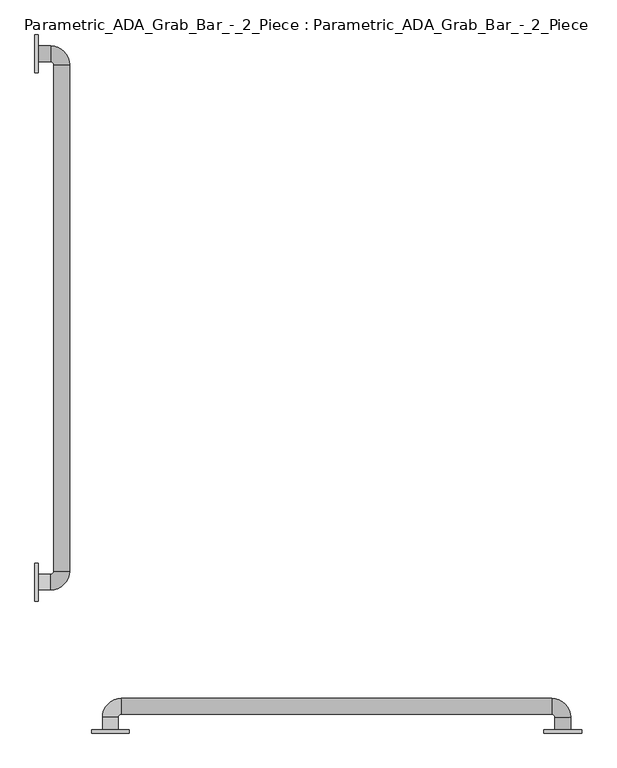
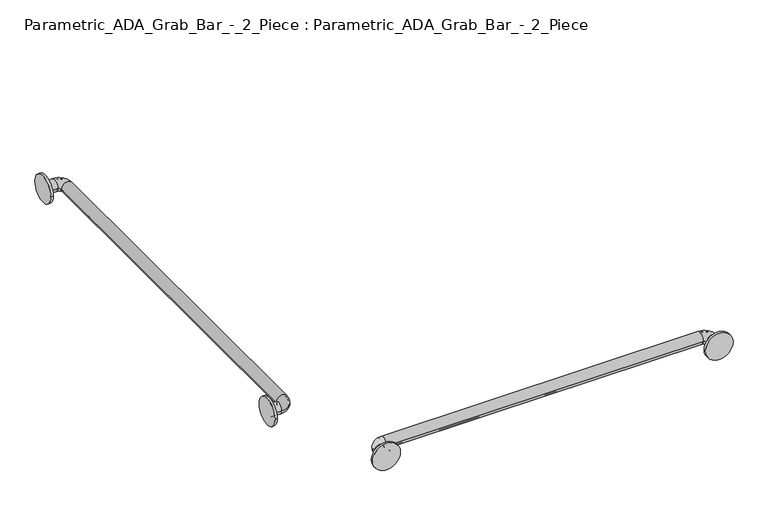
"""IFC4 building model written with IfcOpenShell, lengths in millimetres: proxy geometry, Parametric_ADA_Grab_Bar_-_2_Piece : Parametric_ADA_Grab_Bar_-_2_Piece."""

from ifc_helpers import new_model, si_unit, point, frame, frame_2d, origin, place, context, project, spatial, polyline, circle_curve, ellipse_curve, trimmed, segment, composite_curve, outline, extrude, source, transform, mapped, element, save
from ifc_brep_helpers import plane_surface, cylinder_surface, revolved_surface, advanced_brep


def parametric_ada_grab_bar_2_piece_parametric_ada_grab_bar_2_9242682c(model_context):
    return source(origin(), model_context, "Body", "SolidModel", [
        advanced_brep(
        [(6.35, 1447.8, 838.2), (6.35, 1479.55, 838.2), (6.35, 1450.975, 838.2), (6.35, 1476.375, 838.2), (31.75, 1447.8, 838.2), (31.75, 1479.55, 838.2), (31.75, 1450.975, 838.2), (31.75, 1476.375, 838.2), (69.85, 1441.45, 838.2), (38.1, 1441.45, 838.2), (66.675, 1441.45, 838.2), (41.275, 1441.45, 838.2), (38.1, 419.1, 838.2), (69.85, 419.1, 838.2), (41.275, 419.1, 838.2), (66.675, 419.1, 838.2), (31.75, 381.0, 838.2), (31.75, 412.75, 838.2), (31.75, 384.175, 838.2), (31.75, 409.575, 838.2), (6.35, 412.75, 838.2), (6.35, 381.0, 838.2), (6.35, 409.575, 838.2), (6.35, 384.175, 838.2)],
        [
            (0, 1, circle_curve(frame((6.35, 1463.675, 838.2), z_axis=(-1.0, 0.0, 0.0), x_axis=(0.0, 1.0, 0.0)), 15.875)),
            (1, 0, circle_curve(frame((6.35, 1463.675, 838.2), z_axis=(-1.0, 0.0, 0.0), x_axis=(0.0, 1.0, 0.0)), 15.875)),
            (2, 3, circle_curve(frame((6.35, 1463.675, 838.2), z_axis=(1.0, 0.0, 0.0), x_axis=(0.0, 1.0, 0.0)), 12.7)),
            (3, 2, circle_curve(frame((6.35, 1463.675, 838.2), z_axis=(1.0, 0.0, 0.0), x_axis=(0.0, 1.0, 0.0)), 12.7)),
            (0, 4),
            (4, 5, circle_curve(frame((31.75, 1463.675, 838.2), z_axis=(-1.0, 0.0, 0.0), x_axis=(0.0, 1.0, 0.0)), 15.875)),
            (5, 1),
            (5, 4, circle_curve(frame((31.75, 1463.675, 838.2), z_axis=(-1.0, 0.0, 0.0), x_axis=(0.0, 1.0, 0.0)), 15.875)),
            (2, 6),
            (6, 7, circle_curve(frame((31.75, 1463.675, 838.2), z_axis=(1.0, 0.0, 0.0), x_axis=(0.0, 1.0, 0.0)), 12.7)),
            (7, 3),
            (7, 6, circle_curve(frame((31.75, 1463.675, 838.2), z_axis=(1.0, 0.0, 0.0), x_axis=(0.0, 1.0, 0.0)), 12.7)),
            (8, 5, circle_curve(frame((31.75, 1441.45, 838.2), z_axis=(0.0, 0.0, 1.0), x_axis=(0.0, 1.0, 0.0)), 38.1)),
            (4, 9, circle_curve(frame((31.75, 1441.45, 838.2), z_axis=(0.0, 0.0, -1.0), x_axis=(0.0, 1.0, 0.0)), 6.35)),
            (9, 8, circle_curve(frame((53.975, 1441.45, 838.2), z_axis=(0.0, 1.0, 0.0), x_axis=(1.0, 0.0, 0.0)), 15.875)),
            (8, 9, circle_curve(frame((53.975, 1441.45, 838.2), z_axis=(0.0, 1.0, 0.0), x_axis=(1.0, 0.0, 0.0)), 15.875)),
            (10, 7, circle_curve(frame((31.75, 1441.45, 838.2), z_axis=(0.0, 0.0, 1.0), x_axis=(0.0, 1.0, 0.0)), 34.925)),
            (6, 11, circle_curve(frame((31.75, 1441.45, 838.2), z_axis=(0.0, 0.0, -1.0), x_axis=(0.0, 1.0, 0.0)), 9.525)),
            (11, 10, circle_curve(frame((53.975, 1441.45, 838.2), z_axis=(0.0, -1.0, 0.0), x_axis=(1.0, 0.0, 0.0)), 12.7)),
            (10, 11, circle_curve(frame((53.975, 1441.45, 838.2), z_axis=(0.0, -1.0, 0.0), x_axis=(1.0, 0.0, 0.0)), 12.7)),
            (9, 12),
            (12, 13, circle_curve(frame((53.975, 419.1, 838.2), z_axis=(0.0, 1.0, 0.0), x_axis=(1.0, 0.0, 0.0)), 15.875)),
            (13, 8),
            (13, 12, circle_curve(frame((53.975, 419.1, 838.2), z_axis=(0.0, 1.0, 0.0), x_axis=(1.0, 0.0, 0.0)), 15.875)),
            (11, 14),
            (14, 15, circle_curve(frame((53.975, 419.1, 838.2), z_axis=(0.0, -1.0, 0.0), x_axis=(1.0, 0.0, 0.0)), 12.7)),
            (15, 10),
            (15, 14, circle_curve(frame((53.975, 419.1, 838.2), z_axis=(0.0, -1.0, 0.0), x_axis=(1.0, 0.0, 0.0)), 12.7)),
            (16, 13, circle_curve(frame((31.75, 419.1, 838.2), z_axis=(0.0, 0.0, 1.0), x_axis=(1.0, 0.0, 0.0)), 38.1)),
            (12, 17, circle_curve(frame((31.75, 419.1, 838.2), z_axis=(0.0, 0.0, -1.0), x_axis=(1.0, 0.0, 0.0)), 6.35)),
            (17, 16, circle_curve(frame((31.75, 396.875, 838.2), z_axis=(1.0, -1.0750558599521398e-12, 0.0), x_axis=(-1.0750558599521398e-12, -1.0, 0.0)), 15.875)),
            (16, 17, circle_curve(frame((31.75, 396.875, 838.2), z_axis=(1.0, 0.0, 0.0), x_axis=(0.0, -1.0, 0.0)), 15.875)),
            (18, 15, circle_curve(frame((31.75, 419.1, 838.2), z_axis=(0.0, 0.0, 1.0), x_axis=(1.0, 0.0, 0.0)), 34.925)),
            (14, 19, circle_curve(frame((31.75, 419.1, 838.2), z_axis=(0.0, 0.0, -1.0), x_axis=(1.0, 0.0, 0.0)), 9.525)),
            (19, 18, circle_curve(frame((31.75, 396.875, 838.2), z_axis=(-1.0, 0.0, 0.0), x_axis=(0.0, -1.0, 0.0)), 12.7)),
            (18, 19, circle_curve(frame((31.75, 396.875, 838.2), z_axis=(-1.0, 0.0, 0.0), x_axis=(0.0, -1.0, 0.0)), 12.7)),
            (20, 21, circle_curve(frame((6.35, 396.875, 838.2), z_axis=(-1.0, 0.0, 0.0), x_axis=(0.0, -1.0, 0.0)), 15.875)),
            (21, 20, circle_curve(frame((6.35, 396.875, 838.2), z_axis=(-1.0, 0.0, 0.0), x_axis=(0.0, -1.0, 0.0)), 15.875)),
            (22, 23, circle_curve(frame((6.35, 396.875, 838.2), z_axis=(1.0, 0.0, 0.0), x_axis=(0.0, -1.0, 0.0)), 12.7)),
            (23, 22, circle_curve(frame((6.35, 396.875, 838.2), z_axis=(1.0, 0.0, 0.0), x_axis=(0.0, -1.0, 0.0)), 12.7)),
            (17, 20),
            (21, 16),
            (19, 22),
            (23, 18),
        ],
        [
            plane_surface(frame((6.35, 1463.675, 838.2), z_axis=(-1.0, 0.0, 0.0), x_axis=(0.0, 0.0, 1.0))),
            cylinder_surface(frame((6.35, 1463.675, 838.2), z_axis=(-1.0, 0.0, 0.0), x_axis=(0.0, 1.0, 0.0)), 15.875),
            revolved_surface(polyline([(31.75, 1476.375, 838.2), (6.35, 1476.375, 838.2)]), (6.35, 1463.675, 838.2), (1.0, 0.0, 0.0)),
            revolved_surface(trimmed(ellipse_curve(frame((31.75, 1463.675, 838.2), z_axis=(-1.0, 0.0, 0.0), x_axis=(0.0, 1.0, 0.0)), 15.875, 15.875), [point((31.75, 1447.8, 838.2))], [point((31.75, 1479.55, 838.2))], True, "CARTESIAN"), (31.75, 1441.45, 838.2), (0.0, 0.0, -1.0)),
            revolved_surface(trimmed(ellipse_curve(frame((31.75, 1463.675, 838.2), z_axis=(-1.0, 0.0, 0.0), x_axis=(0.0, 1.0, 0.0)), 15.875, 15.875), [point((31.75, 1479.55, 838.2))], [point((31.75, 1447.8, 838.2))], True, "CARTESIAN"), (31.75, 1441.45, 838.2), (0.0, 0.0, -1.0)),
            revolved_surface(trimmed(ellipse_curve(frame((31.75, 1463.675, 838.2), z_axis=(1.0, 0.0, 0.0), x_axis=(0.0, 1.0, 0.0)), 12.7, 12.7), [point((31.75, 1450.975, 838.2))], [point((31.75, 1476.375, 838.2))], True, "CARTESIAN"), (31.75, 1441.45, 838.2), (0.0, 0.0, -1.0)),
            revolved_surface(trimmed(ellipse_curve(frame((31.75, 1463.675, 838.2), z_axis=(1.0, 0.0, 0.0), x_axis=(0.0, 1.0, 0.0)), 12.7, 12.7), [point((31.75, 1476.375, 838.2))], [point((31.75, 1450.975, 838.2))], True, "CARTESIAN"), (31.75, 1441.45, 838.2), (0.0, 0.0, -1.0)),
            cylinder_surface(frame((53.975, 1441.45, 838.2), z_axis=(0.0, 1.0, 0.0), x_axis=(1.0, 0.0, 0.0)), 15.875),
            revolved_surface(polyline([(66.675, 419.1, 838.2), (66.675, 1441.45, 838.2)]), (53.975, 1441.45, 838.2), (0.0, -1.0, 0.0)),
            revolved_surface(trimmed(ellipse_curve(frame((53.975, 419.1, 838.2), z_axis=(0.0, 1.0, 0.0), x_axis=(1.0, 0.0, 0.0)), 15.875, 15.875), [point((38.1, 419.1, 838.2))], [point((69.85, 419.1, 838.2))], True, "CARTESIAN"), (31.75, 419.1, 838.2), (0.0, 0.0, -1.0)),
            revolved_surface(trimmed(ellipse_curve(frame((53.975, 419.1, 838.2), z_axis=(0.0, 1.0, 0.0), x_axis=(1.0, 0.0, 0.0)), 15.875, 15.875), [point((69.85, 419.1, 838.2))], [point((38.1, 419.1, 838.2))], True, "CARTESIAN"), (31.75, 419.1, 838.2), (0.0, 0.0, -1.0)),
            revolved_surface(trimmed(ellipse_curve(frame((53.975, 419.1, 838.2), z_axis=(0.0, -1.0, 0.0), x_axis=(1.0, 0.0, 0.0)), 12.7, 12.7), [point((41.275, 419.1, 838.2))], [point((66.675, 419.1, 838.2))], True, "CARTESIAN"), (31.75, 419.1, 838.2), (0.0, 0.0, -1.0)),
            revolved_surface(trimmed(ellipse_curve(frame((53.975, 419.1, 838.2), z_axis=(0.0, -1.0, 0.0), x_axis=(1.0, 0.0, 0.0)), 12.7, 12.7), [point((66.675, 419.1, 838.2))], [point((41.275, 419.1, 838.2))], True, "CARTESIAN"), (31.75, 419.1, 838.2), (0.0, 0.0, -1.0)),
            plane_surface(frame((6.35, 396.875, 838.2), z_axis=(-1.0, 0.0, 0.0), x_axis=(0.0, 0.0, 1.0))),
            cylinder_surface(frame((31.75, 396.875, 838.2), z_axis=(1.0, 0.0, 0.0), x_axis=(0.0, -1.0, 0.0)), 15.875),
            revolved_surface(polyline([(6.350000000000001, 384.175, 838.2), (31.75, 384.175, 838.2)]), (31.75, 396.875, 838.2), (-1.0, 0.0, 0.0)),
        ],
        [
            (0, [[1, 2], [3, 4]]),
            (1, [[-1, 5, 6, 7]]),
            (1, [[-2, -7, 8, -5]]),
            (2, [[-3, 9, 10, 11]]),
            (2, [[-4, -11, 12, -9]]),
            (3, [[13, -6, 14, 15]]),
            (4, [[-14, -8, -13, 16]]),
            (5, [[17, -10, 18, 19]]),
            (6, [[-18, -12, -17, 20]]),
            (7, [[-15, 21, 22, 23]]),
            (7, [[-16, -23, 24, -21]]),
            (8, [[-19, 25, 26, 27]]),
            (8, [[-20, -27, 28, -25]]),
            (9, [[29, -22, 30, 31]]),
            (10, [[-30, -24, -29, 32]]),
            (11, [[33, -26, 34, 35]]),
            (12, [[-34, -28, -33, 36]]),
            (13, [[37, 38], [39, 40]]),
            (14, [[-31, 41, -38, 42]]),
            (14, [[-32, -42, -37, -41]]),
            (15, [[-35, 43, -40, 44]]),
            (15, [[-36, -44, -39, -43]]),
        ],
    ),
        advanced_brep(
        [(168.275, 98.425, 838.2), (136.525, 98.425, 838.2), (165.1, 98.425, 838.2), (139.7, 98.425, 838.2), (168.275, 123.825, 838.2), (136.525, 123.825, 838.2), (165.1, 123.825, 838.2), (139.7, 123.825, 838.2), (174.625, 161.925, 838.2), (174.625, 130.175, 838.2), (174.625, 158.75, 838.2), (174.625, 133.35, 838.2), (1044.575, 130.175, 838.2), (1044.575, 161.925, 838.2), (1044.575, 133.35, 838.2), (1044.575, 158.75, 838.2), (1082.675, 123.825, 838.2), (1050.925, 123.825, 838.2), (1079.5, 123.825, 838.2), (1054.1, 123.825, 838.2), (1050.925, 98.425, 838.2), (1082.675, 98.425, 838.2), (1054.1, 98.425, 838.2), (1079.5, 98.425, 838.2)],
        [
            (0, 1, circle_curve(frame((152.4, 98.425, 838.2), z_axis=(0.0, -1.0, 0.0), x_axis=(-1.0, 0.0, 0.0)), 15.875)),
            (1, 0, circle_curve(frame((152.4, 98.425, 838.2), z_axis=(0.0, -1.0, 0.0), x_axis=(-1.0, 0.0, 0.0)), 15.875)),
            (2, 3, circle_curve(frame((152.4, 98.425, 838.2), z_axis=(0.0, 1.0, 0.0), x_axis=(-1.0, 0.0, 0.0)), 12.7)),
            (3, 2, circle_curve(frame((152.4, 98.425, 838.2), z_axis=(0.0, 1.0, 0.0), x_axis=(-1.0, 0.0, 0.0)), 12.7)),
            (0, 4),
            (4, 5, circle_curve(frame((152.4, 123.825, 838.2), z_axis=(0.0, -1.0, 0.0), x_axis=(-1.0, 0.0, 0.0)), 15.875)),
            (5, 1),
            (5, 4, circle_curve(frame((152.4, 123.825, 838.2), z_axis=(0.0, -1.0, 0.0), x_axis=(-1.0, 0.0, 0.0)), 15.875)),
            (2, 6),
            (6, 7, circle_curve(frame((152.4, 123.825, 838.2), z_axis=(0.0, 1.0, 0.0), x_axis=(-1.0, 0.0, 0.0)), 12.7)),
            (7, 3),
            (7, 6, circle_curve(frame((152.4, 123.825, 838.2), z_axis=(0.0, 1.0, 0.0), x_axis=(-1.0, 0.0, 0.0)), 12.7)),
            (8, 5, circle_curve(frame((174.625, 123.825, 838.2), z_axis=(0.0, 0.0, 1.0), x_axis=(-1.0, 0.0, 0.0)), 38.1)),
            (4, 9, circle_curve(frame((174.625, 123.825, 838.2), z_axis=(0.0, 0.0, -1.0), x_axis=(-1.0, 0.0, 0.0)), 6.35)),
            (9, 8, circle_curve(frame((174.625, 146.05, 838.2), z_axis=(-1.0, 0.0, 0.0), x_axis=(0.0, 1.0, 0.0)), 15.875)),
            (8, 9, circle_curve(frame((174.625, 146.05, 838.2), z_axis=(-1.0, 0.0, 0.0), x_axis=(0.0, 1.0, 0.0)), 15.875)),
            (10, 7, circle_curve(frame((174.625, 123.825, 838.2), z_axis=(0.0, 0.0, 1.0), x_axis=(-1.0, 0.0, 0.0)), 34.925)),
            (6, 11, circle_curve(frame((174.625, 123.825, 838.2), z_axis=(0.0, 0.0, -1.0), x_axis=(-1.0, 0.0, 0.0)), 9.525)),
            (11, 10, circle_curve(frame((174.625, 146.05, 838.2), z_axis=(1.0, 0.0, 0.0), x_axis=(0.0, 1.0, 0.0)), 12.7)),
            (10, 11, circle_curve(frame((174.625, 146.05, 838.2), z_axis=(1.0, 0.0, 0.0), x_axis=(0.0, 1.0, 0.0)), 12.7)),
            (9, 12),
            (12, 13, circle_curve(frame((1044.575, 146.05, 838.2), z_axis=(-1.0, 0.0, 0.0), x_axis=(0.0, 1.0, 0.0)), 15.875)),
            (13, 8),
            (13, 12, circle_curve(frame((1044.575, 146.05, 838.2), z_axis=(-1.0, 0.0, 0.0), x_axis=(0.0, 1.0, 0.0)), 15.875)),
            (11, 14),
            (14, 15, circle_curve(frame((1044.575, 146.05, 838.2), z_axis=(1.0, 0.0, 0.0), x_axis=(0.0, 1.0, 0.0)), 12.7)),
            (15, 10),
            (15, 14, circle_curve(frame((1044.575, 146.05, 838.2), z_axis=(1.0, 0.0, 0.0), x_axis=(0.0, 1.0, 0.0)), 12.7)),
            (16, 13, circle_curve(frame((1044.575, 123.825, 838.2), z_axis=(0.0, 0.0, 1.0), x_axis=(0.0, 1.0, 0.0)), 38.1)),
            (12, 17, circle_curve(frame((1044.575, 123.825, 838.2), z_axis=(0.0, 0.0, -1.0), x_axis=(0.0, 1.0, 0.0)), 6.35)),
            (17, 16, circle_curve(frame((1066.8, 123.825, 838.2), z_axis=(1.0770542613964651e-12, 1.0, 0.0), x_axis=(1.0, -1.0770542613964651e-12, 0.0)), 15.875)),
            (16, 17, circle_curve(frame((1066.8, 123.825, 838.2), z_axis=(0.0, 1.0, 0.0), x_axis=(1.0, 0.0, 0.0)), 15.875)),
            (18, 15, circle_curve(frame((1044.575, 123.825, 838.2), z_axis=(0.0, 0.0, 1.0), x_axis=(0.0, 1.0, 0.0)), 34.925)),
            (14, 19, circle_curve(frame((1044.575, 123.825, 838.2), z_axis=(0.0, 0.0, -1.0), x_axis=(0.0, 1.0, 0.0)), 9.525)),
            (19, 18, circle_curve(frame((1066.8, 123.825, 838.2), z_axis=(0.0, -1.0, 0.0), x_axis=(1.0, 0.0, 0.0)), 12.7)),
            (18, 19, circle_curve(frame((1066.8, 123.825, 838.2), z_axis=(0.0, -1.0, 0.0), x_axis=(1.0, 0.0, 0.0)), 12.7)),
            (20, 21, circle_curve(frame((1066.8, 98.425, 838.2), z_axis=(0.0, -1.0, 0.0), x_axis=(1.0, 0.0, 0.0)), 15.875)),
            (21, 20, circle_curve(frame((1066.8, 98.425, 838.2), z_axis=(0.0, -1.0, 0.0), x_axis=(1.0, 0.0, 0.0)), 15.875)),
            (22, 23, circle_curve(frame((1066.8, 98.425, 838.2), z_axis=(0.0, 1.0, 0.0), x_axis=(1.0, 0.0, 0.0)), 12.7)),
            (23, 22, circle_curve(frame((1066.8, 98.425, 838.2), z_axis=(0.0, 1.0, 0.0), x_axis=(1.0, 0.0, 0.0)), 12.7)),
            (17, 20),
            (21, 16),
            (19, 22),
            (23, 18),
        ],
        [
            plane_surface(frame((152.4, 98.425, 838.2), z_axis=(0.0, -1.0, 0.0), x_axis=(0.0, 0.0, 1.0))),
            cylinder_surface(frame((152.4, 98.425, 838.2), z_axis=(0.0, -1.0, 0.0), x_axis=(-1.0, 0.0, 0.0)), 15.875),
            revolved_surface(polyline([(139.70000000000002, 123.825, 838.2), (139.70000000000002, 98.425, 838.2)]), (152.4, 98.425, 838.2), (0.0, 1.0, 0.0)),
            revolved_surface(trimmed(ellipse_curve(frame((152.4, 123.825, 838.2), z_axis=(0.0, -1.0, 0.0), x_axis=(-1.0, 0.0, 0.0)), 15.875, 15.875), [point((168.275, 123.825, 838.2))], [point((136.525, 123.825, 838.2))], True, "CARTESIAN"), (174.625, 123.825, 838.2), (0.0, 0.0, -1.0)),
            revolved_surface(trimmed(ellipse_curve(frame((152.4, 123.825, 838.2), z_axis=(0.0, -1.0, 0.0), x_axis=(-1.0, 0.0, 0.0)), 15.875, 15.875), [point((136.525, 123.825, 838.2))], [point((168.275, 123.825, 838.2))], True, "CARTESIAN"), (174.625, 123.825, 838.2), (0.0, 0.0, -1.0)),
            revolved_surface(trimmed(ellipse_curve(frame((152.4, 123.825, 838.2), z_axis=(0.0, 1.0, 0.0), x_axis=(-1.0, 0.0, 0.0)), 12.7, 12.7), [point((165.1, 123.825, 838.2))], [point((139.7, 123.825, 838.2))], True, "CARTESIAN"), (174.625, 123.825, 838.2), (0.0, 0.0, -1.0)),
            revolved_surface(trimmed(ellipse_curve(frame((152.4, 123.825, 838.2), z_axis=(0.0, 1.0, 0.0), x_axis=(-1.0, 0.0, 0.0)), 12.7, 12.7), [point((139.7, 123.825, 838.2))], [point((165.1, 123.825, 838.2))], True, "CARTESIAN"), (174.625, 123.825, 838.2), (0.0, 0.0, -1.0)),
            cylinder_surface(frame((174.625, 146.05, 838.2), z_axis=(-1.0, 0.0, 0.0), x_axis=(0.0, 1.0, 0.0)), 15.875),
            revolved_surface(polyline([(1044.575, 158.75, 838.2), (174.625, 158.75, 838.2)]), (174.625, 146.05, 838.2), (1.0, 0.0, 0.0)),
            revolved_surface(trimmed(ellipse_curve(frame((1044.575, 146.05, 838.2), z_axis=(-1.0, 0.0, 0.0), x_axis=(0.0, 1.0, 0.0)), 15.875, 15.875), [point((1044.575, 130.175, 838.2))], [point((1044.575, 161.925, 838.2))], True, "CARTESIAN"), (1044.575, 123.825, 838.2), (0.0, 0.0, -1.0)),
            revolved_surface(trimmed(ellipse_curve(frame((1044.575, 146.05, 838.2), z_axis=(-1.0, 0.0, 0.0), x_axis=(0.0, 1.0, 0.0)), 15.875, 15.875), [point((1044.575, 161.925, 838.2))], [point((1044.575, 130.175, 838.2))], True, "CARTESIAN"), (1044.575, 123.825, 838.2), (0.0, 0.0, -1.0)),
            revolved_surface(trimmed(ellipse_curve(frame((1044.575, 146.05, 838.2), z_axis=(1.0, 0.0, 0.0), x_axis=(0.0, 1.0, 0.0)), 12.7, 12.7), [point((1044.575, 133.35, 838.2))], [point((1044.575, 158.75, 838.2))], True, "CARTESIAN"), (1044.575, 123.825, 838.2), (0.0, 0.0, -1.0)),
            revolved_surface(trimmed(ellipse_curve(frame((1044.575, 146.05, 838.2), z_axis=(1.0, 0.0, 0.0), x_axis=(0.0, 1.0, 0.0)), 12.7, 12.7), [point((1044.575, 158.75, 838.2))], [point((1044.575, 133.35, 838.2))], True, "CARTESIAN"), (1044.575, 123.825, 838.2), (0.0, 0.0, -1.0)),
            plane_surface(frame((1066.8, 98.425, 838.2), z_axis=(0.0, -1.0, 0.0), x_axis=(0.0, 0.0, 1.0))),
            cylinder_surface(frame((1066.8, 123.825, 838.2), z_axis=(0.0, 1.0, 0.0), x_axis=(1.0, 0.0, 0.0)), 15.875),
            revolved_surface(polyline([(1079.5, 98.425, 838.2), (1079.5, 123.825, 838.2)]), (1066.8, 123.825, 838.2), (0.0, -1.0, 0.0)),
        ],
        [
            (0, [[1, 2], [3, 4]]),
            (1, [[-1, 5, 6, 7]]),
            (1, [[-2, -7, 8, -5]]),
            (2, [[-3, 9, 10, 11]]),
            (2, [[-4, -11, 12, -9]]),
            (3, [[13, -6, 14, 15]]),
            (4, [[-14, -8, -13, 16]]),
            (5, [[17, -10, 18, 19]]),
            (6, [[-18, -12, -17, 20]]),
            (7, [[-15, 21, 22, 23]]),
            (7, [[-16, -23, 24, -21]]),
            (8, [[-19, 25, 26, 27]]),
            (8, [[-20, -27, 28, -25]]),
            (9, [[29, -22, 30, 31]]),
            (10, [[-30, -24, -29, 32]]),
            (11, [[33, -26, 34, 35]]),
            (12, [[-34, -28, -33, 36]]),
            (13, [[37, 38], [39, 40]]),
            (14, [[-31, 41, -38, 42]]),
            (14, [[-32, -42, -37, -41]]),
            (15, [[-35, 43, -40, 44]]),
            (15, [[-36, -44, -39, -43]]),
        ],
    ),
        extrude(outline(composite_curve([segment(trimmed(circle_curve(frame_2d((396.875, 838.2)), 38.1), [point((358.775, 838.2))], [point((434.975, 838.2))], False, "CARTESIAN"), True, "CONTINUOUS"), segment(trimmed(circle_curve(frame_2d((396.875, 838.2)), 38.1), [point((434.975, 838.2))], [point((358.775, 838.2))], False, "CARTESIAN"), True, "CONTINUOUS")], self_intersect=False)), frame((0.0, 0.0, 0.0), z_axis=(1.0, 0.0, 0.0), x_axis=(0.0, 1.0, 0.0)), (0.0, 0.0, 1.0), 6.35),
        extrude(outline(composite_curve([segment(trimmed(circle_curve(frame_2d((1463.675, 838.2)), 38.1), [point((1425.575, 838.2))], [point((1501.775, 838.2))], False, "CARTESIAN"), True, "CONTINUOUS"), segment(trimmed(circle_curve(frame_2d((1463.675, 838.2)), 38.1), [point((1501.775, 838.2))], [point((1425.575, 838.2))], False, "CARTESIAN"), True, "CONTINUOUS")], self_intersect=False)), frame((0.0, 0.0, 0.0), z_axis=(1.0, 0.0, 0.0), x_axis=(0.0, 1.0, 0.0)), (0.0, 0.0, 1.0), 6.35),
        extrude(outline(composite_curve([segment(trimmed(circle_curve(frame_2d((838.2, 1066.8)), 38.1), [point((838.2, 1028.7))], [point((838.2, 1104.9))], False, "CARTESIAN"), True, "CONTINUOUS"), segment(trimmed(circle_curve(frame_2d((838.2, 1066.8)), 38.1), [point((838.2, 1104.9))], [point((838.2, 1028.7))], False, "CARTESIAN"), True, "CONTINUOUS")], self_intersect=False)), frame((0.0, 92.075, 0.0), z_axis=(0.0, 1.0, 0.0), x_axis=(0.0, 0.0, 1.0)), (0.0, 0.0, 1.0), 6.35),
        extrude(outline(composite_curve([segment(trimmed(circle_curve(frame_2d((838.2, 152.4)), 38.1), [point((838.2, 114.3))], [point((838.2, 190.5))], False, "CARTESIAN"), True, "CONTINUOUS"), segment(trimmed(circle_curve(frame_2d((838.2, 152.4)), 38.1), [point((838.2, 190.5))], [point((838.2, 114.3))], False, "CARTESIAN"), True, "CONTINUOUS")], self_intersect=False)), frame((0.0, 92.075, 0.0), z_axis=(0.0, 1.0, 0.0), x_axis=(0.0, 0.0, 1.0)), (0.0, 0.0, 1.0), 6.35),
    ])


if __name__ == "__main__":
    model = new_model("IFC4")
    model_context = context("Model", 3, world=origin())
    ifc_project = project(units=[si_unit("LENGTHUNIT", "METRE", prefix="MILLI")], contexts=[model_context])
    site = spatial("IfcSite", under=ifc_project)
    building = spatial("IfcBuilding", under=site)
    placement = place(None, origin())
    parametric_ada_grab_bar_2_piece_parametric_ada_grab_bar_2_shape = parametric_ada_grab_bar_2_piece_parametric_ada_grab_bar_2_9242682c(model_context)
    element("IfcBuildingElementProxy", 1, Name="Parametric_ADA_Grab_Bar_-_2_Piece : Parametric_ADA_Grab_Bar_-_2_Piece", ObjectType="Parametric_ADA_Grab_Bar_-_2_Piece : Parametric_ADA_Grab_Bar_-_2_Piece", at=placement, inside=building, context=model_context, shape_type="MappedRepresentation", body=[
        mapped(parametric_ada_grab_bar_2_piece_parametric_ada_grab_bar_2_shape, transform((0.0, 0.0, 0.0), x_axis=(1.0, 0.0, 0.0), y_axis=(0.0, 1.0, 0.0), z_axis=(0.0, 0.0, 1.0))),
    ])
    save(model, "model.ifc")
